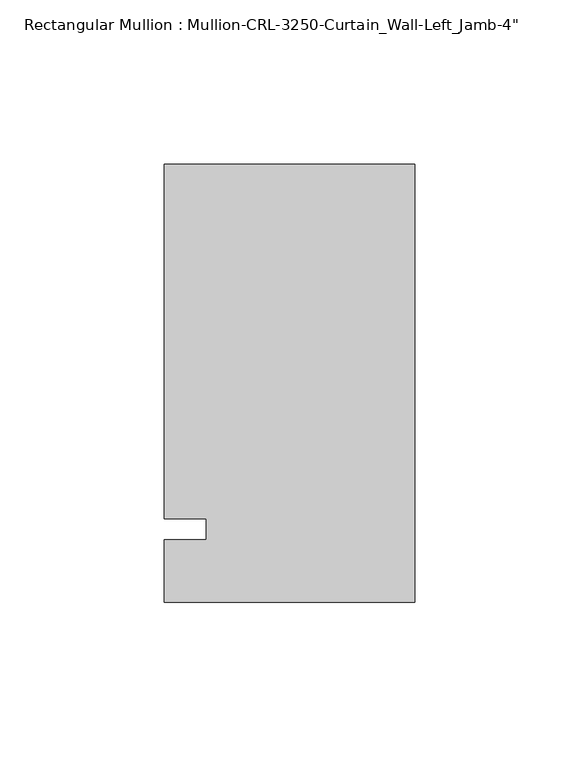
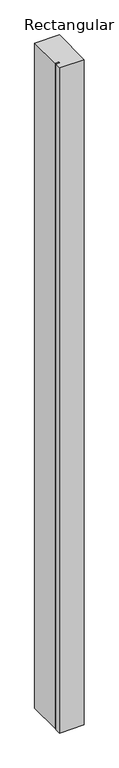
"""IFC4 building model written with IfcOpenShell, lengths in millimetres: member geometry."""

from ifc_helpers import new_model, si_unit, frame, origin, place, context, project, spatial, polyline, outline, extrude, source, transform, mapped, element, save


def member_5f7cb989(model_context):
    return source(origin(), model_context, "Body", "SweptSolid", [
        extrude(outline(polyline([(-76.199997, -3.175), (-63.499997, -3.175), (-63.499997, 3.175), (-76.199997, 3.175), (-76.199997, 111.1245832), (0.0, 111.1245832), (0.0, -22.2254168), (-76.199997, -22.2254168), (-76.199997, -3.175)])), frame((0.0, 0.0, -2178.05), z_axis=(0.0, 0.0, 1.0), x_axis=(1.0, 0.0, 0.0)), (0.0, 0.0, 1.0), 2178.05),
    ])


if __name__ == "__main__":
    model = new_model("IFC4")
    model_context = context("Model", 3, world=origin())
    ifc_project = project(units=[si_unit("LENGTHUNIT", "METRE", prefix="MILLI")], contexts=[model_context])
    site = spatial("IfcSite", under=ifc_project)
    building = spatial("IfcBuilding", under=site)
    placement = place(None, origin())
    member_shape = member_5f7cb989(model_context)
    element("IfcMember", 1, ObjectType="Rectangular Mullion : Mullion-CRL-3250-Curtain_Wall-Left_Jamb-4\"", at=placement, inside=building, context=model_context, shape_type="MappedRepresentation", body=[
        mapped(member_shape, transform((0.0, 0.0, 0.0), x_axis=(1.0, 0.0, 0.0), y_axis=(0.0, 1.0, 0.0), z_axis=(0.0, 0.0, 1.0))),
    ])
    save(model, "model.ifc")
